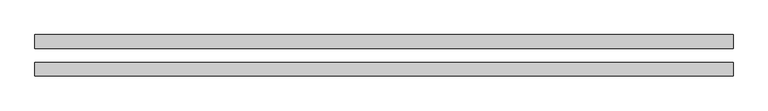
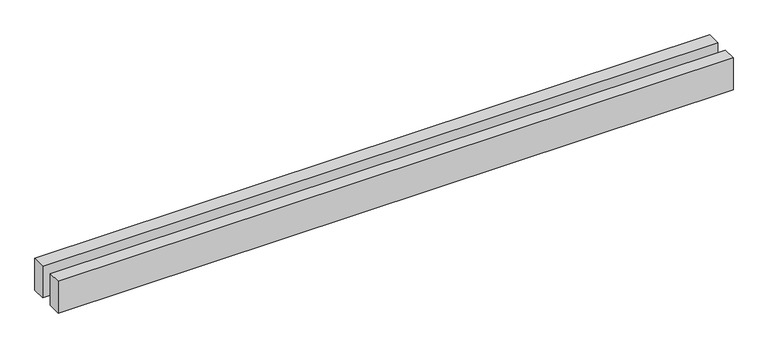
"""IFC4 building model written with IfcOpenShell, lengths in millimetres: proxy geometry."""

from ifc_helpers import new_model, si_unit, origin, origin_with_axes, place, context, project, spatial, polyline, outline, extrude, source, transform, mapped, element, save


def generic_models_562a8b3a(model_context):
    return source(origin(), model_context, "Body", "SweptSolid", [
        extrude(outline(polyline([(10102.6797027, 300.0), (10102.6797027, 100.0), (0.0, 100.0), (0.0, 300.0), (10102.6797027, 300.0)])), origin_with_axes(), (0.0, 0.0, 1.0), 500.0),
        extrude(outline(polyline([(10102.6797027, -100.0), (10102.6797027, -300.0), (0.0, -300.0), (0.0, -100.0), (10102.6797027, -100.0)])), origin_with_axes(), (0.0, 0.0, 1.0), 500.0),
    ])


if __name__ == "__main__":
    model = new_model("IFC4")
    model_context = context("Model", 3, world=origin())
    ifc_project = project(units=[si_unit("LENGTHUNIT", "METRE", prefix="MILLI")], contexts=[model_context])
    site = spatial("IfcSite", under=ifc_project)
    building = spatial("IfcBuilding", under=site)
    placement = place(None, origin())
    generic_models_shape = generic_models_562a8b3a(model_context)
    element("IfcBuildingElementProxy", 1, Name="Generic Models", at=placement, inside=building, context=model_context, shape_type="MappedRepresentation", body=[
        mapped(generic_models_shape, transform((0.0, 0.0, 0.0), x_axis=(1.0, 0.0, 0.0), y_axis=(0.0, 1.0, 0.0), z_axis=(0.0, 0.0, 1.0))),
    ])
    save(model, "model.ifc")
